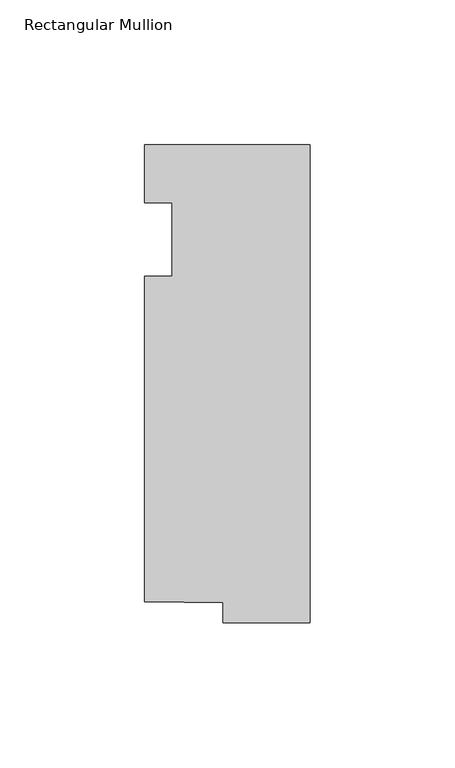
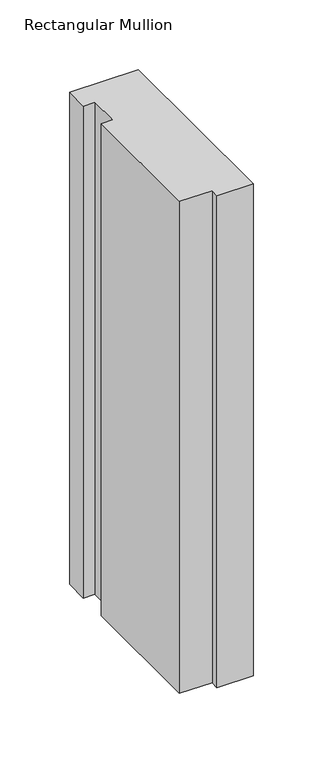
"""IFC4 building model written with IfcOpenShell, lengths in millimetres: member geometry, Rectangular Mullion."""

from ifc_helpers import new_model, si_unit, frame, origin, place, context, project, spatial, polyline, outline, extrude, source, transform, mapped, element, save


def rectangular_mullion_268aa2ca(model_context):
    return source(origin(), model_context, "Body", "SweptSolid", [
        extrude(outline(polyline([(-57.15, 20.0421875), (0.0, 20.0421875), (0.0, -145.0578125), (-30.1058007, -145.0578125), (-30.1058007, -138.1500349), (-57.15, -137.6601403), (-57.15, -25.4), (-47.625, -25.4), (-47.625, 0.0), (-57.15, 0.0), (-57.15, 20.0421875)])), frame((0.0, 0.0, -431.8), z_axis=(0.0, 0.0, 1.0), x_axis=(1.0, 0.0, 0.0)), (0.0, 0.0, 1.0), 431.8),
    ])


if __name__ == "__main__":
    model = new_model("IFC4")
    model_context = context("Model", 3, world=origin())
    ifc_project = project(units=[si_unit("LENGTHUNIT", "METRE", prefix="MILLI")], contexts=[model_context])
    site = spatial("IfcSite", under=ifc_project)
    building = spatial("IfcBuilding", under=site)
    placement = place(None, origin())
    rectangular_mullion_shape = rectangular_mullion_268aa2ca(model_context)
    element("IfcMember", 1, ObjectType="Rectangular Mullion", at=placement, inside=building, context=model_context, shape_type="MappedRepresentation", body=[
        mapped(rectangular_mullion_shape, transform((0.0, 0.0, 0.0), x_axis=(1.0, 0.0, 0.0), y_axis=(0.0, 1.0, 0.0), z_axis=(0.0, 0.0, 1.0))),
    ])
    save(model, "model.ifc")
